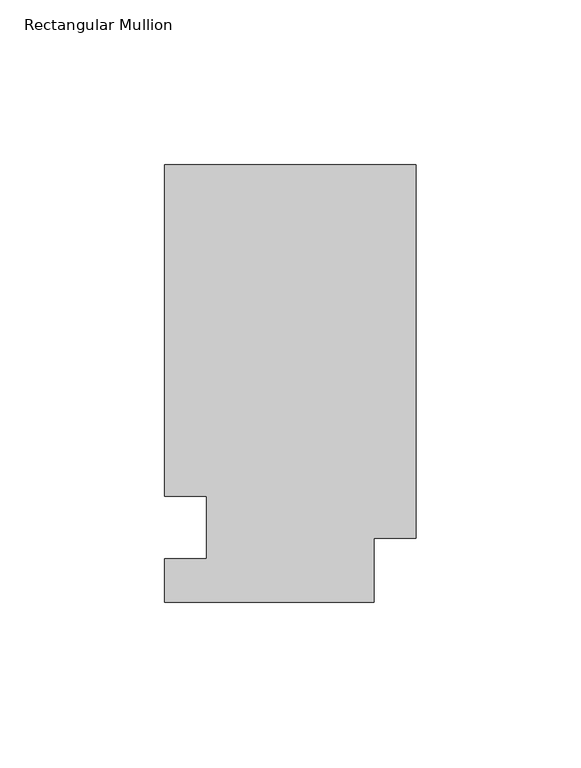
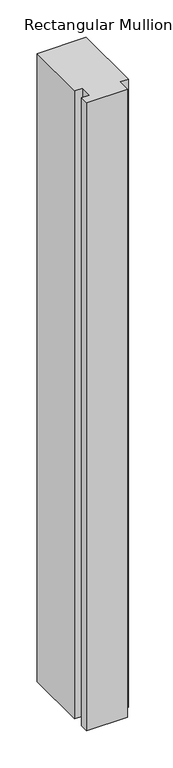
"""IFC4 building model written with IfcOpenShell, lengths in millimetres: member geometry, Rectangular Mullion."""

import ifcopenshell
import ifcopenshell.guid

model = None  # the IFC model being written
_history = None  # IfcOwnerHistory: only IFC2X3 demands one
_inside = {}  # id of a spatial element -> (the spatial element, [elements in it])
_under = {}  # id of a project, library or spatial element -> (it, [spatial elements below it])
_declared = {}  # id of a project -> (the project, [libraries it declares])
_typed = {}  # id of a type object -> (the type object, [elements of that type])
_made_of = {}  # id of a material, layer set ... -> (it, [elements and type objects made of it])


def new_model(schema):
    """Start an empty IFC model of exactly this schema.

    Asked for "IFC4X3", IfcOpenShell would pick the latest addendum, in which some entities
    have other attributes; the version numbers below select the first issue.
    IFC2X3 requires an IfcOwnerHistory on every rooted entity: one is made here for all.
    """
    global model, _history
    if schema == "IFC4X3":
        model = ifcopenshell.file(schema_version=(4, 3, 0, 0))
    else:
        model = ifcopenshell.file(schema=schema)
    _inside.clear()
    _under.clear()
    _declared.clear()
    _typed.clear()
    _made_of.clear()
    _history = None
    if model.schema == "IFC2X3":
        org = make("IfcOrganization", Name="unknown")
        user = make(
            "IfcPersonAndOrganization",
            ThePerson=make("IfcPerson", FamilyName="unknown"),
            TheOrganization=org,
        )
        app = make(
            "IfcApplication",
            ApplicationDeveloper=org,
            Version="unknown",
            ApplicationFullName="unknown",
            ApplicationIdentifier="unknown",
        )
        _history = make(
            "IfcOwnerHistory",
            OwningUser=user,
            OwningApplication=app,
            ChangeAction="ADDED",
            CreationDate=0,
        )
    return model


def make(cls, **values):
    """One entity of the class cls with the attributes given. An attribute that is None is left unset."""
    return model.create_entity(
        cls, **{name: value for name, value in values.items() if value is not None}
    )


def rooted(cls, **values):
    """An entity with a GlobalId (a new one), such as an element, a storey or a relation."""
    return make(cls, GlobalId=ifcopenshell.guid.new(), OwnerHistory=_history, **values)


def si_unit(unit_type, name, prefix=None):
    """IfcSIUnit, for example si_unit("LENGTHUNIT", "METRE", prefix="MILLI")."""
    return make("IfcSIUnit", UnitType=unit_type, Prefix=prefix, Name=name)


def assignment(units):
    """IfcUnitAssignment: the units of a project."""
    return None if units is None else make("IfcUnitAssignment", Units=units)


def point(xyz):
    """IfcCartesianPoint."""
    return None if xyz is None else make("IfcCartesianPoint", Coordinates=xyz)


def direction(xyz):
    """IfcDirection."""
    return None if xyz is None else make("IfcDirection", DirectionRatios=xyz)


def frame(location, z_axis=None, x_axis=None):
    """IfcAxis2Placement3D, a coordinate frame: its origin and axes. An axis left out is left unset."""
    return make(
        "IfcAxis2Placement3D",
        Location=point(location),
        Axis=direction(z_axis),
        RefDirection=direction(x_axis),
    )


def origin():
    """The frame at (0, 0, 0) with its axes left unset."""
    return frame((0.0, 0.0, 0.0))


def place(relative_to, where):
    """IfcLocalPlacement: puts the frame where relative to a parent placement (None: the world)."""
    return make(
        "IfcLocalPlacement", PlacementRelTo=relative_to, RelativePlacement=where
    )


def context(
    kind, dimensions, precision=None, world=None, true_north=None, identifier=None
):
    """IfcGeometricRepresentationContext, for example the 3D "Model" context."""
    return make(
        "IfcGeometricRepresentationContext",
        ContextIdentifier=identifier,
        ContextType=kind,
        CoordinateSpaceDimension=dimensions,
        Precision=precision,
        WorldCoordinateSystem=world,
        TrueNorth=true_north,
    )


def project(units=None, contexts=None):
    """IfcProject with its units and contexts."""
    return rooted(
        "IfcProject",
        Name="project",
        RepresentationContexts=contexts,
        UnitsInContext=assignment(units),
    )


def spatial(cls, under=None, at=None, **own):
    """A site, building, storey or space (cls), placed at a placement, below another one or the project."""
    s = rooted(cls, ObjectPlacement=at, **own)
    if under is not None:
        _under.setdefault(under.id(), (under, []))[1].append(s)
    return s


def polyline(points):
    """IfcPolyline through the points."""
    return make("IfcPolyline", Points=[point(p) for p in points])


def outline(outer, holes=None, kind="AREA"):
    """IfcArbitraryClosedProfileDef: a profile drawn as a closed curve; with holes, ...WithVoids."""
    if holes is None:
        return make("IfcArbitraryClosedProfileDef", ProfileType=kind, OuterCurve=outer)
    return make(
        "IfcArbitraryProfileDefWithVoids",
        ProfileType=kind,
        OuterCurve=outer,
        InnerCurves=holes,
    )


def extrude(swept, where, along, depth):
    """IfcExtrudedAreaSolid: the profile swept, set in the frame where, extruded along a direction by depth."""
    return make(
        "IfcExtrudedAreaSolid",
        SweptArea=swept,
        Position=where,
        ExtrudedDirection=direction(along),
        Depth=depth,
    )


def shape(context_of_items, identifier, shape_type, items):
    """IfcShapeRepresentation: the items that make up one representation, for example the "Body"."""
    return make(
        "IfcShapeRepresentation",
        ContextOfItems=context_of_items,
        RepresentationIdentifier=identifier,
        RepresentationType=shape_type,
        Items=items,
    )


def source(mapping_origin, context_of_items, identifier, shape_type, items):
    """IfcRepresentationMap: a shape defined once, which mapped items show again and again."""
    return make(
        "IfcRepresentationMap",
        MappingOrigin=mapping_origin,
        MappedRepresentation=shape(context_of_items, identifier, shape_type, items),
    )


def transform(
    local_origin,
    x_axis=None,
    y_axis=None,
    z_axis=None,
    scale=None,
    scale2=None,
    scale3=None,
    uniform=True,
):
    """IfcCartesianTransformationOperator3D, or its non-uniform kind. x_axis, y_axis, z_axis: its Axis1, 2, 3."""
    if uniform:
        return make(
            "IfcCartesianTransformationOperator3D",
            Axis1=direction(x_axis),
            Axis2=direction(y_axis),
            LocalOrigin=point(local_origin),
            Scale=scale,
            Axis3=direction(z_axis),
        )
    return make(
        "IfcCartesianTransformationOperator3DnonUniform",
        Axis1=direction(x_axis),
        Axis2=direction(y_axis),
        LocalOrigin=point(local_origin),
        Scale=scale,
        Axis3=direction(z_axis),
        Scale2=scale2,
        Scale3=scale3,
    )


def mapped(mapping_source, mapping_target):
    """IfcMappedItem: shows the shape of a source again, moved by a transform."""
    return make(
        "IfcMappedItem", MappingSource=mapping_source, MappingTarget=mapping_target
    )


def made_of(thing, what):
    """Note that an element or type object is made of a material, layer set ...; save() writes the relation."""
    if what is not None:
        _made_of.setdefault(what.id(), (what, []))[1].append(thing)
    return thing


def element(
    cls,
    number,
    at=None,
    inside=None,
    cuts=None,
    type_object=None,
    material=None,
    context=None,
    identifier="Body",
    shape_type=None,
    held_by="IfcProductDefinitionShape",
    body=None,
    shapes=None,
    **own,
):
    """One element of the class cls, such as IfcWall. Its Tag is "e" and its number.

    at: its placement. inside: the storey or other place that contains it. cuts: it is an
    opening in that element (IfcRelVoidsElement). A single representation is given by context,
    identifier, shape_type and body (its items); several are given by shapes. held_by: the class
    of the entity that holds the representations. save() writes the other relations.
    """
    e = rooted(cls, Tag="e%d" % number, ObjectPlacement=at, **own)
    if body is not None:
        shapes = [shape(context, identifier, shape_type, body)]
    if shapes is not None:
        e.Representation = make(held_by, Representations=shapes)
    if inside is not None:
        _inside.setdefault(inside.id(), (inside, []))[1].append(e)
    if cuts is not None:
        rooted(
            "IfcRelVoidsElement", RelatingBuildingElement=cuts, RelatedOpeningElement=e
        )
    if type_object is not None:
        _typed.setdefault(type_object.id(), (type_object, []))[1].append(e)
    return made_of(e, material)


def aggregate(whole, parts):
    """IfcRelAggregates: a whole, such as a stair, and the parts it consists of."""
    return rooted("IfcRelAggregates", RelatingObject=whole, RelatedObjects=parts)


def save(model, path):
    """Write the relations noted so far, then the file.

    IfcRelAggregates (storeys below a building ...), IfcRelContainedInSpatialStructure (elements
    in a storey), IfcRelDefinesByType, IfcRelAssociatesMaterial and IfcRelDeclares: one each for
    every whole, place, type object, material and project.
    """
    for whole, parts in _under.values():
        aggregate(whole, parts)
    for where, things in _inside.values():
        rooted(
            "IfcRelContainedInSpatialStructure",
            RelatedElements=things,
            RelatingStructure=where,
        )
    for kind, things in _typed.values():
        rooted("IfcRelDefinesByType", RelatedObjects=things, RelatingType=kind)
    for what, things in _made_of.values():
        rooted("IfcRelAssociatesMaterial", RelatedObjects=things, RelatingMaterial=what)
    for by, libraries in _declared.values():
        rooted("IfcRelDeclares", RelatingContext=by, RelatedDefinitions=libraries)
    model.write(path)


def rectangular_mullion_552c455d(model_context):
    return source(origin(), model_context, "Body", "SweptSolid", [
        extrude(outline(polyline([(0.0, 132.6522937), (0.0, 19.5460937), (-12.7, 19.5460938), (-12.7, 0.0134938), (-76.2, 0.0134938), (-76.2, 13.1960938), (-63.5, 13.1960937), (-63.5, 32.2460937), (-76.2, 32.2460938), (-76.2, 132.6522938), (0.0, 132.6522937)])), frame((0.0, 0.0, -1028.7), z_axis=(0.0, 0.0, 1.0), x_axis=(1.0, 0.0, 0.0)), (0.0, 0.0, 1.0), 1028.7),
    ])


if __name__ == "__main__":
    model = new_model("IFC4")
    model_context = context("Model", 3, world=origin())
    ifc_project = project(units=[si_unit("LENGTHUNIT", "METRE", prefix="MILLI")], contexts=[model_context])
    site = spatial("IfcSite", under=ifc_project)
    building = spatial("IfcBuilding", under=site)
    placement = place(None, origin())
    rectangular_mullion_shape = rectangular_mullion_552c455d(model_context)
    element("IfcMember", 1, ObjectType="Rectangular Mullion", at=placement, inside=building, context=model_context, shape_type="MappedRepresentation", body=[
        mapped(rectangular_mullion_shape, transform((0.0, 0.0, 0.0), x_axis=(1.0, 0.0, 0.0), y_axis=(0.0, 1.0, 0.0), z_axis=(0.0, 0.0, 1.0))),
    ])
    save(model, "model.ifc")
